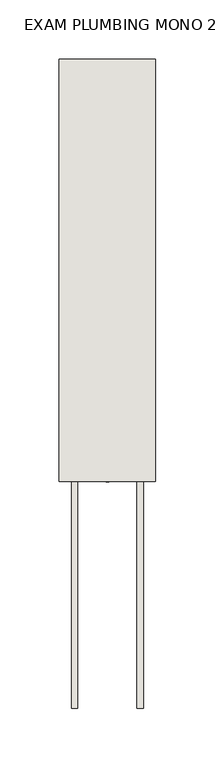
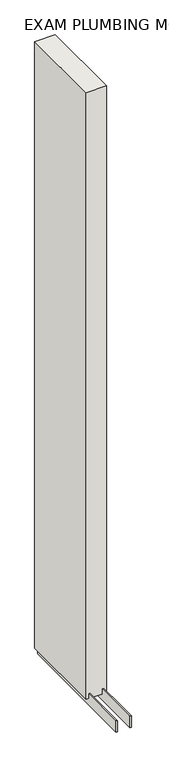
"""IFC4 building model written with IfcOpenShell, lengths in millimetres: wall geometry, EXAM PLUMBING MONO 2 471089 : EXAM PLUMBING MONO 2 471089."""

from ifc_helpers import new_model, si_unit, frame, origin, place, context, project, spatial, polyline, outline, extrude, source, transform, mapped, element, save


def exam_plumbing_mono_2_471089_exam_plumbing_mono_2_471089_02e76f19(model_context):
    return source(origin(), model_context, "Body", "SweptSolid", [
        extrude(outline(polyline([(64721.142211, -51344.2756196), (64721.142211, -51341.7356196), (64723.682211, -51341.7356196), (64723.682211, -51344.2756196), (64721.142211, -51344.2756196)])), frame((0.0, 0.0, 4419.6), z_axis=(0.0, 0.0, 1.0), x_axis=(1.0, 0.0, 0.0)), (0.0, 0.0, 1.0), 2.54),
        extrude(outline(polyline([(64747.4959556, -51534.7706666), (64747.4959556, -50988.6706666), (64752.574711, -50988.6706666), (64752.574711, -51534.7706666), (64747.4959556, -51534.7706666)])), frame((0.0, 0.0, 4418.6602), z_axis=(0.0, 0.0, 1.0), x_axis=(1.0, 0.0, 0.0)), (0.0, 0.0, 1.0), 47.625),
        extrude(outline(polyline([(64747.4959556, -51534.7706666), (64747.4959556, -50988.6706666), (64752.574711, -50988.6706666), (64752.574711, -51534.7706666), (64747.4959556, -51534.7706666)])), frame((0.0, 0.0, 4418.6602), z_axis=(0.0, 0.0, 1.0), x_axis=(1.0, 0.0, 0.0)), (0.0, 0.0, 1.0), 47.625),
        extrude(outline(polyline([(64697.3284664, -50988.6706666), (64697.3284664, -51534.7706666), (64692.249711, -51534.7706666), (64692.249711, -50988.6706666), (64697.3284664, -50988.6706666)])), frame((0.0, 0.0, 4418.6602), z_axis=(0.0, 0.0, 1.0), x_axis=(1.0, 0.0, 0.0)), (0.0, 0.0, 1.0), 47.625),
        extrude(outline(polyline([(64697.3284664, -50988.6706666), (64697.3284664, -51534.7706666), (64692.249711, -51534.7706666), (64692.249711, -50988.6706666), (64697.3284664, -50988.6706666)])), frame((0.0, 0.0, 4418.6602), z_axis=(0.0, 0.0, 1.0), x_axis=(1.0, 0.0, 0.0)), (0.0, 0.0, 1.0), 47.625),
        extrude(outline(polyline([(64763.0670954, -51344.2706666), (64681.7573266, -51344.2706666), (64681.7573266, -50988.6706666), (64763.0670954, -50988.6706666), (64763.0670954, -51344.2706666)])), frame((0.0, 0.0, 4445.0), z_axis=(0.0, 0.0, 1.0), x_axis=(1.0, 0.0, 0.0)), (0.0, 0.0, 1.0), 2562.4536762),
    ])


if __name__ == "__main__":
    model = new_model("IFC4")
    model_context = context("Model", 3, world=origin())
    ifc_project = project(units=[si_unit("LENGTHUNIT", "METRE", prefix="MILLI")], contexts=[model_context])
    site = spatial("IfcSite", under=ifc_project)
    building = spatial("IfcBuilding", under=site)
    placement = place(None, origin())
    exam_plumbing_mono_2_471089_exam_plumbing_mono_2_471089_shape = exam_plumbing_mono_2_471089_exam_plumbing_mono_2_471089_02e76f19(model_context)
    element("IfcWall", 1, ObjectType="EXAM PLUMBING MONO 2 471089 : EXAM PLUMBING MONO 2 471089", at=placement, inside=building, context=model_context, shape_type="MappedRepresentation", body=[
        mapped(exam_plumbing_mono_2_471089_exam_plumbing_mono_2_471089_shape, transform((0.0, 0.0, 0.0), x_axis=(1.0, 0.0, 0.0), y_axis=(0.0, 1.0, 0.0), z_axis=(0.0, 0.0, 1.0))),
    ])
    save(model, "model.ifc")
